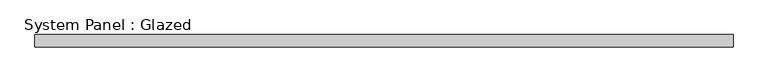
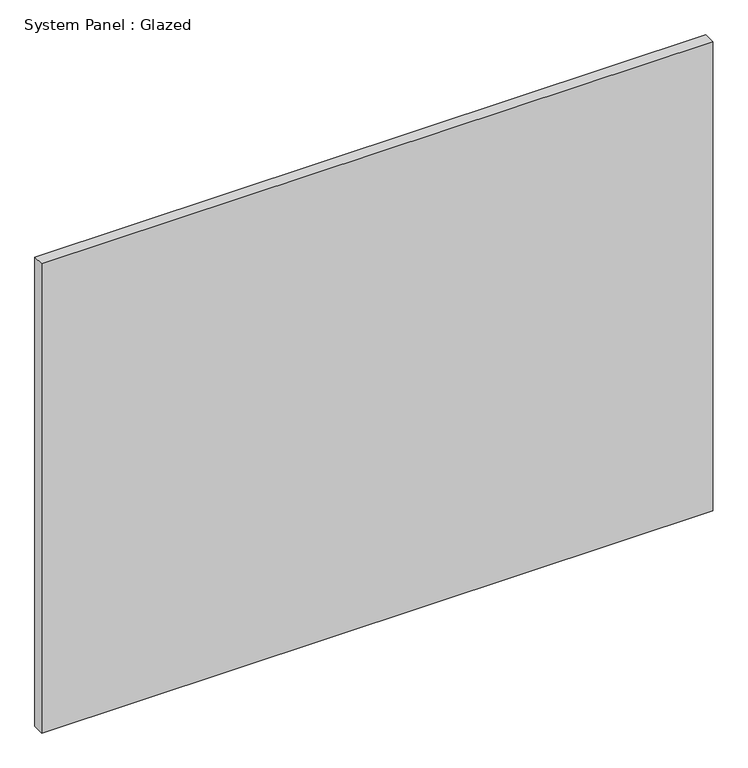
"""IFC4 building model written with IfcOpenShell, lengths in millimetres: plate geometry, System Panel : Glazed."""

from ifc_helpers import new_model, si_unit, origin, origin_with_axes, place, context, project, spatial, polyline, outline, extrude, source, transform, mapped, element, save


def system_panel_glazed_c643e6ed(model_context):
    return source(origin(), model_context, "Body", "SweptSolid", [
        extrude(outline(polyline([(730.25, -12.7), (-730.25, -12.7), (-730.25, 12.7), (730.25, 12.7), (730.25, -12.7)])), origin_with_axes(), (0.0, 0.0, 1.0), 1080.0),
    ])


if __name__ == "__main__":
    model = new_model("IFC4")
    model_context = context("Model", 3, world=origin())
    ifc_project = project(units=[si_unit("LENGTHUNIT", "METRE", prefix="MILLI")], contexts=[model_context])
    site = spatial("IfcSite", under=ifc_project)
    building = spatial("IfcBuilding", under=site)
    placement = place(None, origin())
    system_panel_glazed_shape = system_panel_glazed_c643e6ed(model_context)
    element("IfcPlate", 1, ObjectType="System Panel : Glazed", at=placement, inside=building, context=model_context, shape_type="MappedRepresentation", body=[
        mapped(system_panel_glazed_shape, transform((0.0, 0.0, 0.0), x_axis=(1.0, 0.0, 0.0), y_axis=(0.0, 1.0, 0.0), z_axis=(0.0, 0.0, 1.0))),
    ])
    save(model, "model.ifc")
